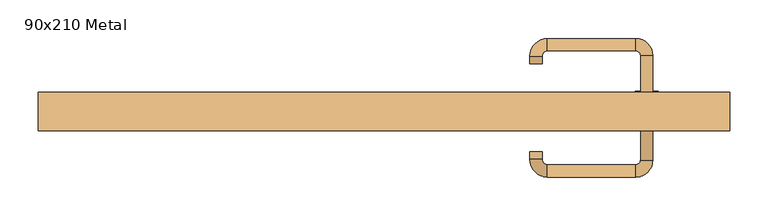
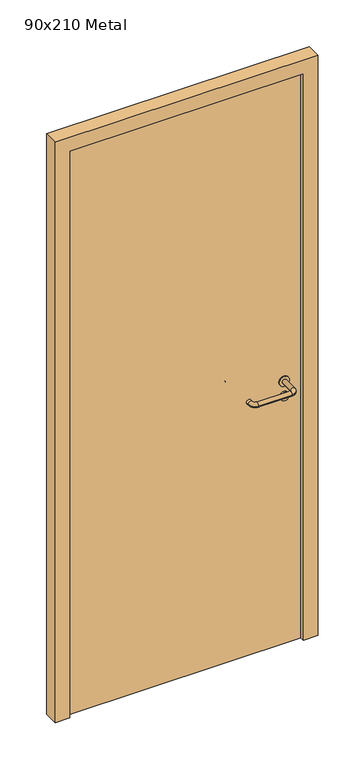
"""IFC4 building model written with IfcOpenShell, lengths in millimetres: door geometry, 90x210 Metal."""

from ifc_helpers import new_model, si_unit, point, frame, frame_2d, origin, origin_with_axes, place, context, project, spatial, polyline, circle_curve, ellipse_curve, trimmed, segment, composite_curve, outline, extrude, source, transform, mapped, element, save
from ifc_brep_helpers import plane_surface, cylinder_surface, revolved_surface, advanced_brep


def door_90x210_metal_c7966d50(model_context):
    return source(origin(), model_context, "Body", "SolidModel", [
        extrude(outline(composite_curve([segment(trimmed(circle_curve(frame_2d((897.3605726, 342.0)), 15.0), [point((897.3605726, 357.0))], [point((897.3605726, 327.0))], False, "CARTESIAN"), True, "CONTINUOUS"), segment(trimmed(circle_curve(frame_2d((897.3605726, 342.0)), 15.0), [point((897.3605726, 327.0))], [point((897.3605726, 357.0))], False, "CARTESIAN"), True, "CONTINUOUS")], self_intersect=False), holes=[composite_curve([segment(trimmed(circle_curve(frame_2d((892.5833211, 341.9398032)), 2.0), [point((892.5833211, 343.9398032))], [point((892.5833211, 339.9398032))], True, "CARTESIAN"), True, "CONTINUOUS"), segment(polyline([(892.5833211, 339.9398032), (902.5833211, 339.9398032)]), True, "CONTINUOUS"), segment(trimmed(circle_curve(frame_2d((902.5833211, 341.9398032)), 2.0), [point((902.5833211, 339.9398032))], [point((902.5833211, 343.9398032))], True, "CARTESIAN"), True, "CONTINUOUS"), segment(polyline([(902.5833211, 343.9398032), (892.5833211, 343.9398032)]), True, "CONTINUOUS")], self_intersect=False)]), frame((0.0, 8.65, 0.0), z_axis=(0.0, 1.0, 0.0), x_axis=(0.0, 0.0, 1.0)), (0.0, 0.0, 1.0), 6.35),
        extrude(outline(composite_curve([segment(trimmed(circle_curve(frame_2d((950.0, 342.0)), 17.526), [point((950.0, 359.526))], [point((950.0, 324.474))], False, "CARTESIAN"), True, "CONTINUOUS"), segment(trimmed(circle_curve(frame_2d((950.0, 342.0)), 17.526), [point((950.0, 324.474))], [point((950.0, 359.526))], False, "CARTESIAN"), True, "CONTINUOUS")], self_intersect=False)), frame((0.0, 11.825, 0.0), z_axis=(0.0, 1.0, 0.0), x_axis=(0.0, 0.0, 1.0)), (0.0, 0.0, 1.0), 3.175),
        advanced_brep(
        [(350.0, 15.0, 950.0), (334.0, 15.0, 950.0), (334.0, -38.0, 950.0), (350.0, -38.0, 950.0), (327.8578644, -44.1421356, 950.0), (327.8578644, -60.1421356, 950.0), (212.8578644, -44.1421356, 950.0), (212.8578644, -60.1421356, 950.0), (206.008622, -37.2928932, 950.0), (190.008622, -37.2928932, 950.0), (190.008622, -27.2928932, 950.0), (206.008622, -27.2928932, 950.0)],
        [
            (0, 1, circle_curve(frame((342.0, 15.0, 950.0), z_axis=(0.0, 1.0, 0.0), x_axis=(-1.0, 0.0, 0.0)), 8.0)),
            (1, 0, circle_curve(frame((342.0, 15.0, 950.0), z_axis=(0.0, 1.0, 0.0), x_axis=(-1.0, 0.0, 0.0)), 8.0)),
            (1, 2),
            (2, 3, circle_curve(frame((342.0, -38.0, 950.0), z_axis=(0.0, 1.0, 0.0), x_axis=(-1.0, 0.0, 0.0)), 8.0)),
            (3, 0),
            (3, 2, circle_curve(frame((342.0, -38.0, 950.0), z_axis=(0.0, 1.0, 0.0), x_axis=(-1.0, 0.0, 0.0)), 8.0)),
            (4, 5, circle_curve(frame((327.8578644, -52.1421356, 950.0), z_axis=(1.0, 0.0, 0.0), x_axis=(0.0, 1.0, 0.0)), 8.0)),
            (5, 3, circle_curve(frame((327.8578644, -38.0, 950.0), z_axis=(0.0, 0.0, 1.0), x_axis=(1.0, 0.0, 0.0)), 22.1421356)),
            (2, 4, circle_curve(frame((327.8578644, -38.0, 950.0), z_axis=(0.0, 0.0, -1.0), x_axis=(1.0, 0.0, 0.0)), 6.1421356)),
            (5, 4, circle_curve(frame((327.8578644, -52.1421356, 950.0), z_axis=(1.0, 0.0, 0.0), x_axis=(0.0, 1.0, 0.0)), 8.0)),
            (4, 6),
            (6, 7, circle_curve(frame((212.8578644, -52.1421356, 950.0), z_axis=(1.0, 0.0, 0.0), x_axis=(0.0, 1.0, 0.0)), 8.0)),
            (7, 5),
            (7, 6, circle_curve(frame((212.8578644, -52.1421356, 950.0), z_axis=(1.0, 0.0, 0.0), x_axis=(0.0, 1.0, 0.0)), 8.0)),
            (8, 9, circle_curve(frame((198.008622, -37.2928932, 950.0), z_axis=(0.0, -1.0, 0.0), x_axis=(1.0, 0.0, 0.0)), 8.0)),
            (9, 7, circle_curve(frame((212.8578644, -37.2928932, 950.0), z_axis=(0.0, 0.0, 1.0), x_axis=(0.0, -1.0, 0.0)), 22.8492424)),
            (6, 8, circle_curve(frame((212.8578644, -37.2928932, 950.0), z_axis=(0.0, 0.0, -1.0), x_axis=(0.0, -1.0, 0.0)), 6.8492424)),
            (9, 8, circle_curve(frame((198.008622, -37.2928932, 950.0), z_axis=(0.0, -1.0, 0.0), x_axis=(1.0, 0.0, 0.0)), 8.0)),
            (10, 11, circle_curve(frame((198.008622, -27.2928932, 950.0), z_axis=(0.0, 1.0, 0.0), x_axis=(1.0, 0.0, 0.0)), 8.0)),
            (11, 10, circle_curve(frame((198.008622, -27.2928932, 950.0), z_axis=(0.0, 1.0, 0.0), x_axis=(1.0, 0.0, 0.0)), 8.0)),
            (8, 11),
            (10, 9),
        ],
        [
            plane_surface(frame((342.0, 15.0, 170.0), z_axis=(0.0, 1.0, 0.0), x_axis=(0.0, 0.0, 1.0))),
            cylinder_surface(frame((342.0, 15.0, 950.0), z_axis=(0.0, 1.0, 0.0), x_axis=(-1.0, 0.0, 0.0)), 8.0),
            revolved_surface(trimmed(ellipse_curve(frame((342.0, -38.0, 950.0), z_axis=(0.0, -1.0, 0.0), x_axis=(-1.0, 0.0, 0.0)), 8.0, 8.0), [point((350.0, -38.0, 950.0))], [point((334.0, -38.0, 950.0))], True, "CARTESIAN"), (327.8578644, -38.0, 170.0), (0.0, 0.0, 1.0)),
            revolved_surface(trimmed(ellipse_curve(frame((342.0, -38.0, 950.0), z_axis=(0.0, -1.0, 0.0), x_axis=(-1.0, 0.0, 0.0)), 8.0, 8.0), [point((334.0, -38.0, 950.0))], [point((350.0, -38.0, 950.0))], True, "CARTESIAN"), (327.8578644, -38.0, 170.0), (0.0, 0.0, 1.0)),
            cylinder_surface(frame((327.8578644, -52.1421356, 950.0), z_axis=(1.0, 0.0, 0.0), x_axis=(0.0, 1.0, 0.0)), 8.0),
            revolved_surface(trimmed(ellipse_curve(frame((212.8578644, -52.1421356, 950.0), z_axis=(-1.0, 0.0, 0.0), x_axis=(0.0, 1.0, 0.0)), 8.0, 8.0), [point((212.8578644, -60.1421356, 950.0))], [point((212.8578644, -44.1421356, 950.0))], True, "CARTESIAN"), (212.8578644, -37.2928932, 170.0), (0.0, 0.0, 1.0)),
            revolved_surface(trimmed(ellipse_curve(frame((212.8578644, -52.1421356, 950.0), z_axis=(-1.0, 0.0, 0.0), x_axis=(0.0, 1.0, 0.0)), 8.0, 8.0), [point((212.8578644, -44.1421356, 950.0))], [point((212.8578644, -60.1421356, 950.0))], True, "CARTESIAN"), (212.8578644, -37.2928932, 170.0), (0.0, 0.0, 1.0)),
            plane_surface(frame((198.008622, -27.2928932, 170.0), z_axis=(0.0, 1.0, 0.0), x_axis=(0.0, 0.0, 1.0))),
            cylinder_surface(frame((198.008622, -37.2928932, 950.0), z_axis=(0.0, -1.0, 0.0), x_axis=(1.0, 0.0, 0.0)), 8.0),
        ],
        [
            (0, [[1, 2]]),
            (1, [[3, 4, 5, -2]]),
            (1, [[-5, 6, -3, -1]]),
            (2, [[7, 8, -4, 9]]),
            (3, [[10, -9, -6, -8]]),
            (4, [[11, 12, 13, -7]]),
            (4, [[-13, 14, -11, -10]]),
            (5, [[15, 16, -12, 17]]),
            (6, [[18, -17, -14, -16]]),
            (7, [[19, 20]]),
            (8, [[21, -19, 22, -15]]),
            (8, [[-22, -20, -21, -18]]),
        ],
    ),
        extrude(outline(composite_curve([segment(trimmed(circle_curve(frame_2d((0.0, -15.0)), 15.0), [point((0.0, -30.0))], [point((0.0, 0.0))], False, "CARTESIAN"), True, "CONTINUOUS"), segment(trimmed(circle_curve(frame_2d((0.0, -15.0)), 15.0), [point((0.0, 0.0))], [point((0.0, -30.0))], False, "CARTESIAN"), True, "CONTINUOUS")], self_intersect=False), holes=[composite_curve([segment(trimmed(circle_curve(frame_2d((4.7772515, -14.9398032)), 2.0), [point((4.7772515, -16.9398032))], [point((4.7772515, -12.9398032))], True, "CARTESIAN"), True, "CONTINUOUS"), segment(polyline([(4.7772515, -12.9398032), (-5.2227485, -12.9398032)]), True, "CONTINUOUS"), segment(trimmed(circle_curve(frame_2d((-5.2227485, -14.9398032)), 2.0), [point((-5.2227485, -12.9398032))], [point((-5.2227485, -16.9398032))], True, "CARTESIAN"), True, "CONTINUOUS"), segment(polyline([(-5.2227485, -16.9398032), (4.7772515, -16.9398032)]), True, "CONTINUOUS")], self_intersect=False)]), frame((327.0, 45.0, 897.3605726), z_axis=(1.8870575173328306e-12, 1.0, 0.0), x_axis=(0.0, 0.0, -1.0)), (0.0, 0.0, 1.0), 6.35),
        extrude(outline(composite_curve([segment(trimmed(circle_curve(frame_2d((0.0, -17.526)), 17.526), [point((0.0, -35.052))], [point((0.0, 0.0))], False, "CARTESIAN"), True, "CONTINUOUS"), segment(trimmed(circle_curve(frame_2d((0.0, -17.526)), 17.526), [point((0.0, 0.0))], [point((0.0, -35.052))], False, "CARTESIAN"), True, "CONTINUOUS")], self_intersect=False)), frame((324.474, 45.0, 950.0), z_axis=(1.8870575173328306e-12, 1.0, 0.0), x_axis=(0.0, 0.0, -1.0)), (0.0, 0.0, 1.0), 3.175),
        advanced_brep(
        [(350.0, 45.0, 950.0), (334.0, 45.0, 950.0), (350.0, 98.0, 950.0), (334.0, 98.0, 950.0), (327.8578644, 104.1421356, 950.0), (327.8578644, 120.1421356, 950.0), (212.8578644, 120.1421356, 950.0), (212.8578644, 104.1421356, 950.0), (206.008622, 97.2928932, 950.0), (190.008622, 97.2928932, 950.0), (190.008622, 87.2928932, 950.0), (206.008622, 87.2928932, 950.0)],
        [
            (0, 1, circle_curve(frame((342.0, 45.0, 950.0), z_axis=(-1.888672253512351e-12, -1.0, 0.0), x_axis=(-1.0, 1.888672253512351e-12, 0.0)), 8.0)),
            (1, 0, circle_curve(frame((342.0, 45.0, 950.0), z_axis=(-1.888672253512351e-12, -1.0, 0.0), x_axis=(-1.0, 1.888672253512351e-12, 0.0)), 8.0)),
            (0, 2),
            (2, 3, circle_curve(frame((342.0, 98.0, 950.0), z_axis=(-1.888672253512351e-12, -1.0, 0.0), x_axis=(-1.0, 1.888672253512351e-12, 0.0)), 8.0)),
            (3, 1),
            (3, 2, circle_curve(frame((342.0, 98.0, 950.0), z_axis=(-1.888672253512351e-12, -1.0, 0.0), x_axis=(-1.0, 1.888672253512351e-12, 0.0)), 8.0)),
            (4, 3, circle_curve(frame((327.8578644, 98.0, 950.0), z_axis=(0.0, 0.0, -1.0), x_axis=(1.0, -1.880717803715015e-12, 0.0)), 6.1421356)),
            (2, 5, circle_curve(frame((327.8578644, 98.0, 950.0), z_axis=(0.0, 0.0, 1.0), x_axis=(1.0, -1.880717803715015e-12, 0.0)), 22.1421356)),
            (5, 4, circle_curve(frame((327.8578644, 112.1421356, 950.0), z_axis=(1.0, -1.913702061528922e-12, 0.0), x_axis=(-1.913702061528922e-12, -1.0, 0.0)), 8.0)),
            (4, 5, circle_curve(frame((327.8578644, 112.1421356, 950.0), z_axis=(1.0, -1.913702061528922e-12, 0.0), x_axis=(-1.913702061528922e-12, -1.0, 0.0)), 8.0)),
            (5, 6),
            (6, 7, circle_curve(frame((212.8578644, 112.1421356, 950.0), z_axis=(1.0, -1.913719828541269e-12, 0.0), x_axis=(-1.913719828541269e-12, -1.0, 0.0)), 8.0)),
            (7, 4),
            (7, 6, circle_curve(frame((212.8578644, 112.1421356, 950.0), z_axis=(1.0, -1.913719828541269e-12, 0.0), x_axis=(-1.913719828541269e-12, -1.0, 0.0)), 8.0)),
            (8, 7, circle_curve(frame((212.8578644, 97.2928932, 950.0), z_axis=(0.0, 0.0, -1.0), x_axis=(1.9120873253494017e-12, 1.0, 0.0)), 6.8492424)),
            (6, 9, circle_curve(frame((212.8578644, 97.2928932, 950.0), z_axis=(0.0, 0.0, 1.0), x_axis=(1.9120873253494017e-12, 1.0, 0.0)), 22.8492424)),
            (9, 8, circle_curve(frame((198.008622, 97.2928932, 950.0), z_axis=(1.890670654956676e-12, 1.0, 0.0), x_axis=(1.0, -1.890670654956676e-12, 0.0)), 8.0)),
            (8, 9, circle_curve(frame((198.008622, 97.2928932, 950.0), z_axis=(1.890226565746826e-12, 1.0, 0.0), x_axis=(1.0, -1.890226565746826e-12, 0.0)), 8.0)),
            (10, 11, circle_curve(frame((198.008622, 87.2928932, 950.0), z_axis=(-1.8903642334018795e-12, -1.0, 0.0), x_axis=(1.0, -1.8903642334018795e-12, 0.0)), 8.0)),
            (11, 10, circle_curve(frame((198.008622, 87.2928932, 950.0), z_axis=(-1.8903642334018795e-12, -1.0, 0.0), x_axis=(1.0, -1.8903642334018795e-12, 0.0)), 8.0)),
            (9, 10),
            (11, 8),
        ],
        [
            plane_surface(frame((342.0, 45.0, 170.0), z_axis=(-1.8870575173328306e-12, -1.0, 0.0), x_axis=(0.0, 0.0, 1.0))),
            cylinder_surface(frame((342.0, 45.0, 950.0), z_axis=(-1.888672253512351e-12, -1.0, 0.0), x_axis=(-1.0, 1.888672253512351e-12, 0.0)), 8.0),
            revolved_surface(trimmed(ellipse_curve(frame((342.0, 98.0, 950.0), z_axis=(-1.8823325398945356e-12, -1.0, 0.0), x_axis=(-1.0, 1.8823325398945356e-12, 0.0)), 8.0, 8.0), [point((350.0, 98.0, 950.0))], [point((334.0, 98.0, 950.0))], True, "CARTESIAN"), (327.8578644, 98.0, 170.0), (0.0, 0.0, 1.0)),
            revolved_surface(trimmed(ellipse_curve(frame((342.0, 98.0, 950.0), z_axis=(-1.8823325398945356e-12, -1.0, 0.0), x_axis=(-1.0, 1.8823325398945356e-12, 0.0)), 8.0, 8.0), [point((334.0, 98.0, 950.0))], [point((350.0, 98.0, 950.0))], True, "CARTESIAN"), (327.8578644, 98.0, 170.0), (0.0, 0.0, 1.0)),
            cylinder_surface(frame((327.8578644, 112.1421356, 950.0), z_axis=(1.0, -1.913719828541269e-12, 0.0), x_axis=(-1.913719828541269e-12, -1.0, 0.0)), 8.0),
            revolved_surface(trimmed(ellipse_curve(frame((212.8578644, 112.1421356, 950.0), z_axis=(1.0, -1.913702061528922e-12, 0.0), x_axis=(-1.913702061528922e-12, -1.0, 0.0)), 8.0, 8.0), [point((212.8578644, 120.1421356, 950.0))], [point((212.8578644, 104.1421356, 950.0))], True, "CARTESIAN"), (212.8578644, 97.2928932, 170.0), (0.0, 0.0, 1.0)),
            revolved_surface(trimmed(ellipse_curve(frame((212.8578644, 112.1421356, 950.0), z_axis=(1.0, -1.913702061528922e-12, 0.0), x_axis=(-1.913702061528922e-12, -1.0, 0.0)), 8.0, 8.0), [point((212.8578644, 104.1421356, 950.0))], [point((212.8578644, 120.1421356, 950.0))], True, "CARTESIAN"), (212.8578644, 97.2928932, 170.0), (0.0, 0.0, 1.0)),
            plane_surface(frame((198.008622, 87.2928932, 170.0), z_axis=(-1.8887494972223595e-12, -1.0, 0.0), x_axis=(0.0, 0.0, 1.0))),
            cylinder_surface(frame((198.008622, 97.2928932, 950.0), z_axis=(1.8903642334018795e-12, 1.0, 0.0), x_axis=(1.0, -1.8903642334018795e-12, 0.0)), 8.0),
        ],
        [
            (0, [[1, 2]]),
            (1, [[-1, 3, 4, 5]]),
            (1, [[-2, -5, 6, -3]]),
            (2, [[7, -4, 8, 9]]),
            (3, [[-8, -6, -7, 10]]),
            (4, [[-9, 11, 12, 13]]),
            (4, [[-10, -13, 14, -11]]),
            (5, [[15, -12, 16, 17]]),
            (6, [[-16, -14, -15, 18]]),
            (7, [[19, 20]]),
            (8, [[-17, 21, -20, 22]]),
            (8, [[-18, -22, -19, -21]]),
        ],
    ),
        extrude(outline(polyline([(2050.0, 400.0), (0.0, 400.0), (0.0, 450.0), (2100.0, 450.0), (2100.0, -450.0), (0.0, -450.0), (0.0, -400.0), (2050.0, -400.0), (2050.0, 400.0)])), frame((0.0, 0.0, 0.0), z_axis=(0.0, 1.0, 0.0), x_axis=(0.0, 0.0, 1.0)), (0.0, 0.0, 1.0), 50.0),
        extrude(outline(polyline([(-400.0, 45.0), (400.0, 45.0), (400.0, 15.0), (-400.0, 15.0), (-400.0, 45.0)])), origin_with_axes(), (0.0, 0.0, 1.0), 2050.0),
    ])


if __name__ == "__main__":
    model = new_model("IFC4")
    model_context = context("Model", 3, world=origin())
    ifc_project = project(units=[si_unit("LENGTHUNIT", "METRE", prefix="MILLI")], contexts=[model_context])
    site = spatial("IfcSite", under=ifc_project)
    building = spatial("IfcBuilding", under=site)
    placement = place(None, origin())
    door_90x210_metal_shape = door_90x210_metal_c7966d50(model_context)
    element("IfcDoor", 1, ObjectType="90x210 Metal", at=placement, inside=building, context=model_context, shape_type="MappedRepresentation", body=[
        mapped(door_90x210_metal_shape, transform((0.0, 0.0, 0.0), x_axis=(1.0, 0.0, 0.0), y_axis=(0.0, 1.0, 0.0), z_axis=(0.0, 0.0, 1.0))),
    ])
    save(model, "model.ifc")
